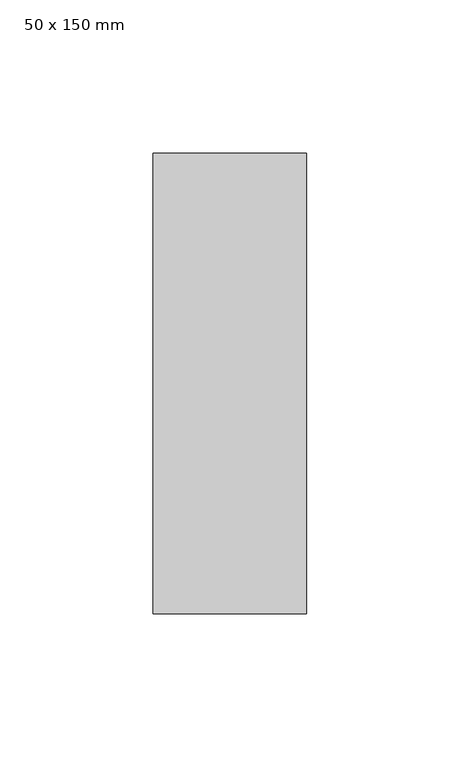
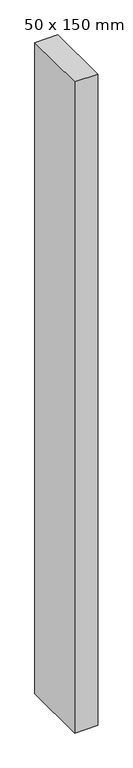
"""IFC4 building model written with IfcOpenShell, lengths in millimetres: member geometry, 50 x 150 mm."""

from ifc_helpers import new_model, si_unit, frame, origin, place, context, project, spatial, polyline, outline, extrude, source, transform, mapped, element, save


def member_50_x_150_mm_461a195c(model_context):
    return source(origin(), model_context, "Body", "SweptSolid", [
        extrude(outline(polyline([(0.0, 75.0), (0.0, -75.0), (-50.0, -75.0), (-50.0, 75.0), (0.0, 75.0)])), frame((0.0, 0.0, -1500.0), z_axis=(0.0, 0.0, 1.0), x_axis=(1.0, 0.0, 0.0)), (0.0, 0.0, 1.0), 1500.0),
    ])


if __name__ == "__main__":
    model = new_model("IFC4")
    model_context = context("Model", 3, world=origin())
    ifc_project = project(units=[si_unit("LENGTHUNIT", "METRE", prefix="MILLI")], contexts=[model_context])
    site = spatial("IfcSite", under=ifc_project)
    building = spatial("IfcBuilding", under=site)
    placement = place(None, origin())
    member_50_x_150_mm_shape = member_50_x_150_mm_461a195c(model_context)
    element("IfcMember", 1, ObjectType="50 x 150 mm", at=placement, inside=building, context=model_context, shape_type="MappedRepresentation", body=[
        mapped(member_50_x_150_mm_shape, transform((0.0, 0.0, 0.0), x_axis=(1.0, 0.0, 0.0), y_axis=(0.0, 1.0, 0.0), z_axis=(0.0, 0.0, 1.0))),
    ])
    save(model, "model.ifc")
